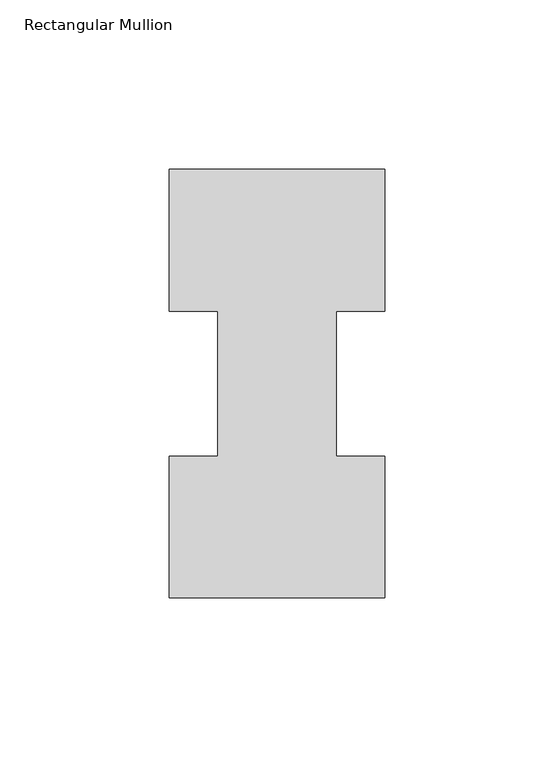
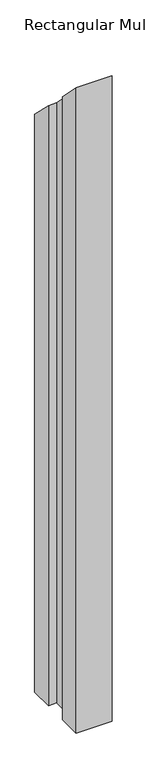
"""IFC4 building model written with IfcOpenShell, lengths in millimetres: member geometry, Rectangular Mullion."""

from ifc_helpers import new_model, si_unit, origin, place, context, project, spatial, faceted_brep, source, transform, mapped, element, save


def rectangular_mullion_e90854cc(model_context):
    return source(origin(), model_context, "Body", "Brep", [
        faceted_brep([(-63.5, 0.26035, -1206.50635), (-63.5, 42.08145, -1206.50635), (-49.2125, 42.08145, -1206.50635), (-49.2125, 84.93125, -1206.50635), (-63.5, 84.93125, -1206.50635), (-63.5, 126.75235, -1206.50635), (0.0, 126.75235, -1206.50635), (0.0, 84.93125, -1206.50635), (-14.2748, 84.93125, -1206.50635), (-14.2748, 42.08145, -1206.50635), (0.0, 42.08145, -1206.50635), (0.0, 0.26035, -1206.50635), (0.0, 0.26035, -0.26035), (-63.5, 0.26035, -0.26035), (0.0, 42.08145, -42.08145), (-14.2748, 42.08145, -42.08145), (-14.2748, 84.93125, -84.93125), (0.0, 84.93125, -84.93125), (0.0, 126.75235, -126.75235), (-63.5, 126.75235, -126.75235), (-63.5, 84.93125, -84.93125), (-49.2125, 84.93125, -84.93125), (-49.2125, 42.08145, -42.08145), (-63.5, 42.08145, -42.08145)], [[[0, 1, 2, 3, 4, 5, 6, 7, 8, 9, 10, 11]], [[12, 13, 0, 11]], [[14, 12, 11, 10]], [[15, 14, 10, 9]], [[16, 15, 9, 8]], [[17, 16, 8, 7]], [[18, 17, 7, 6]], [[19, 18, 6, 5]], [[20, 19, 5, 4]], [[21, 20, 4, 3]], [[22, 21, 3, 2]], [[23, 22, 2, 1]], [[13, 23, 1, 0]], [[13, 12, 14, 15, 16, 17, 18, 19, 20, 21, 22, 23]]]),
    ])


if __name__ == "__main__":
    model = new_model("IFC4")
    model_context = context("Model", 3, world=origin())
    ifc_project = project(units=[si_unit("LENGTHUNIT", "METRE", prefix="MILLI")], contexts=[model_context])
    site = spatial("IfcSite", under=ifc_project)
    building = spatial("IfcBuilding", under=site)
    placement = place(None, origin())
    rectangular_mullion_shape = rectangular_mullion_e90854cc(model_context)
    element("IfcMember", 1, ObjectType="Rectangular Mullion", at=placement, inside=building, context=model_context, shape_type="MappedRepresentation", body=[
        mapped(rectangular_mullion_shape, transform((0.0, 0.0, 0.0), x_axis=(1.0, 0.0, 0.0), y_axis=(0.0, 1.0, 0.0), z_axis=(0.0, 0.0, 1.0))),
    ])
    save(model, "model.ifc")
